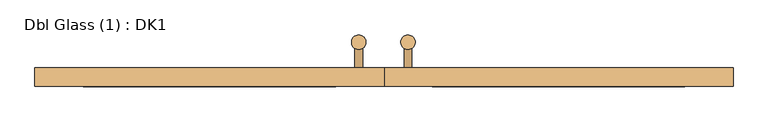
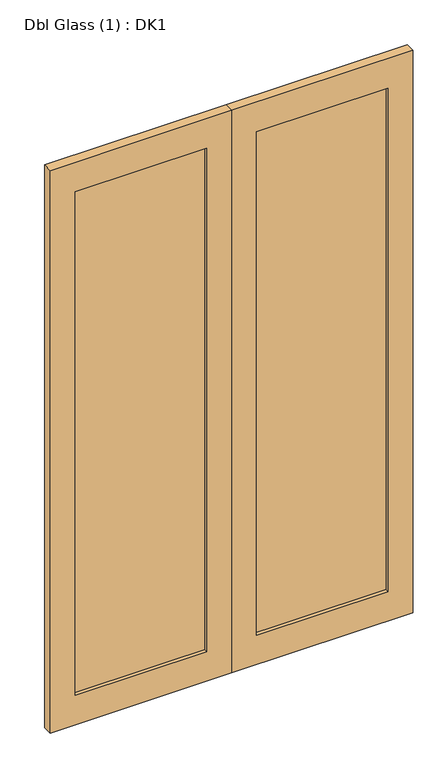
"""IFC4 building model written with IfcOpenShell, lengths in millimetres: door geometry, Dbl Glass (1) : DK1."""

from ifc_helpers import new_model, si_unit, point, frame, frame_2d, origin, place, context, project, spatial, polyline, circle_curve, trimmed, segment, composite_curve, outline, extrude, source, transform, mapped, element, save


def dbl_glass_1_dk1_071e1500(model_context):
    return source(origin(), model_context, "Body", "SweptSolid", [
        extrude(outline(composite_curve([segment(trimmed(circle_curve(frame_2d((49.6069979, 116.0715804)), 15.0), [point((49.6069979, 101.0715804))], [point((49.6069979, 131.0715804))], False, "CARTESIAN"), True, "CONTINUOUS"), segment(trimmed(circle_curve(frame_2d((49.6069979, 116.0715804)), 15.0), [point((49.6069979, 131.0715804))], [point((49.6069979, 101.0715804))], False, "CARTESIAN"), True, "CONTINUOUS")], self_intersect=False)), frame((0.0, 0.0, 650.0), z_axis=(0.0, 0.0, 1.0), x_axis=(1.0, 0.0, 0.0)), (0.0, 0.0, 1.0), 900.0),
        extrude(outline(composite_curve([segment(trimmed(circle_curve(frame_2d((-52.537897, 116.0715804)), 15.0), [point((-52.537897, 101.0715804))], [point((-52.537897, 131.0715804))], False, "CARTESIAN"), True, "CONTINUOUS"), segment(trimmed(circle_curve(frame_2d((-52.537897, 116.0715804)), 15.0), [point((-52.537897, 131.0715804))], [point((-52.537897, 101.0715804))], False, "CARTESIAN"), True, "CONTINUOUS")], self_intersect=False)), frame((0.0, 0.0, 650.0), z_axis=(0.0, 0.0, 1.0), x_axis=(1.0, 0.0, 0.0)), (0.0, 0.0, 1.0), 900.0),
        extrude(outline(composite_curve([segment(trimmed(circle_curve(frame_2d((750.0, 49.6069979)), 8.0), [point((750.0, 57.6069979))], [point((750.0, 41.6069979))], False, "CARTESIAN"), True, "CONTINUOUS"), segment(trimmed(circle_curve(frame_2d((750.0, 49.6069979)), 8.0), [point((750.0, 41.6069979))], [point((750.0, 57.6069979))], False, "CARTESIAN"), True, "CONTINUOUS")], self_intersect=False)), frame((0.0, 62.5788556, 0.0), z_axis=(0.0, 1.0, 0.0), x_axis=(0.0, 0.0, 1.0)), (0.0, 0.0, 1.0), 53.4927248),
        extrude(outline(composite_curve([segment(trimmed(circle_curve(frame_2d((750.0, -52.537897)), 8.0), [point((750.0, -44.537897))], [point((750.0, -60.537897))], False, "CARTESIAN"), True, "CONTINUOUS"), segment(trimmed(circle_curve(frame_2d((750.0, -52.537897)), 8.0), [point((750.0, -60.537897))], [point((750.0, -44.537897))], False, "CARTESIAN"), True, "CONTINUOUS")], self_intersect=False)), frame((0.0, 62.5788556, 0.0), z_axis=(0.0, 1.0, 0.0), x_axis=(0.0, 0.0, 1.0)), (0.0, 0.0, 1.0), 53.4927248),
        extrude(outline(composite_curve([segment(trimmed(circle_curve(frame_2d((1450.0, 49.6069979)), 8.0), [point((1450.0, 57.6069979))], [point((1450.0, 41.6069979))], False, "CARTESIAN"), True, "CONTINUOUS"), segment(trimmed(circle_curve(frame_2d((1450.0, 49.6069979)), 8.0), [point((1450.0, 41.6069979))], [point((1450.0, 57.6069979))], False, "CARTESIAN"), True, "CONTINUOUS")], self_intersect=False)), frame((0.0, 62.5788556, 0.0), z_axis=(0.0, 1.0, 0.0), x_axis=(0.0, 0.0, 1.0)), (0.0, 0.0, 1.0), 53.4927248),
        extrude(outline(composite_curve([segment(trimmed(circle_curve(frame_2d((1450.0, -52.537897)), 8.0), [point((1450.0, -44.537897))], [point((1450.0, -60.537897))], False, "CARTESIAN"), True, "CONTINUOUS"), segment(trimmed(circle_curve(frame_2d((1450.0, -52.537897)), 8.0), [point((1450.0, -60.537897))], [point((1450.0, -44.537897))], False, "CARTESIAN"), True, "CONTINUOUS")], self_intersect=False)), frame((0.0, 62.5788556, 0.0), z_axis=(0.0, 1.0, 0.0), x_axis=(0.0, 0.0, 1.0)), (0.0, 0.0, 1.0), 53.4927248),
        extrude(outline(polyline([(2375.0, -725.0), (0.0, -725.0), (0.0, 0.0), (2375.0, 0.0), (2375.0, -725.0)]), holes=[polyline([(2250.0, -625.0), (2250.0, -100.0), (125.0, -100.0), (125.0, -625.0), (2250.0, -625.0)])]), frame((0.0, 24.035259, 0.0), z_axis=(0.0, 1.0, 0.0), x_axis=(0.0, 0.0, 1.0)), (0.0, 0.0, 1.0), 38.5435966),
        extrude(outline(polyline([(2375.0, 0.0), (0.0, 0.0), (0.0, 725.0), (2375.0, 725.0), (2375.0, 0.0)]), holes=[polyline([(2250.0, 100.0), (2250.0, 625.0), (125.0, 625.0), (125.0, 100.0), (2250.0, 100.0)])]), frame((0.0, 24.035259, 0.0), z_axis=(0.0, 1.0, 0.0), x_axis=(0.0, 0.0, 1.0)), (0.0, 0.0, 1.0), 38.5435966),
        extrude(outline(polyline([(-100.0, 38.0), (-625.0, 38.0), (-625.0, 50.0), (-100.0, 50.0), (-100.0, 38.0)])), frame((0.0, 0.0, 125.0), z_axis=(0.0, 0.0, 1.0), x_axis=(1.0, 0.0, 0.0)), (0.0, 0.0, 1.0), 2125.0),
        extrude(outline(polyline([(625.0, 38.0), (100.0, 38.0), (100.0, 50.0), (625.0, 50.0), (625.0, 38.0)])), frame((0.0, 0.0, 125.0), z_axis=(0.0, 0.0, 1.0), x_axis=(1.0, 0.0, 0.0)), (0.0, 0.0, 1.0), 2125.0),
    ])


if __name__ == "__main__":
    model = new_model("IFC4")
    model_context = context("Model", 3, world=origin())
    ifc_project = project(units=[si_unit("LENGTHUNIT", "METRE", prefix="MILLI")], contexts=[model_context])
    site = spatial("IfcSite", under=ifc_project)
    building = spatial("IfcBuilding", under=site)
    placement = place(None, origin())
    dbl_glass_1_dk1_shape = dbl_glass_1_dk1_071e1500(model_context)
    element("IfcDoor", 1, ObjectType="Dbl Glass (1) : DK1", at=placement, inside=building, context=model_context, shape_type="MappedRepresentation", body=[
        mapped(dbl_glass_1_dk1_shape, transform((0.0, 0.0, 0.0), x_axis=(1.0, 0.0, 0.0), y_axis=(0.0, 1.0, 0.0), z_axis=(0.0, 0.0, 1.0))),
    ])
    save(model, "model.ifc")
